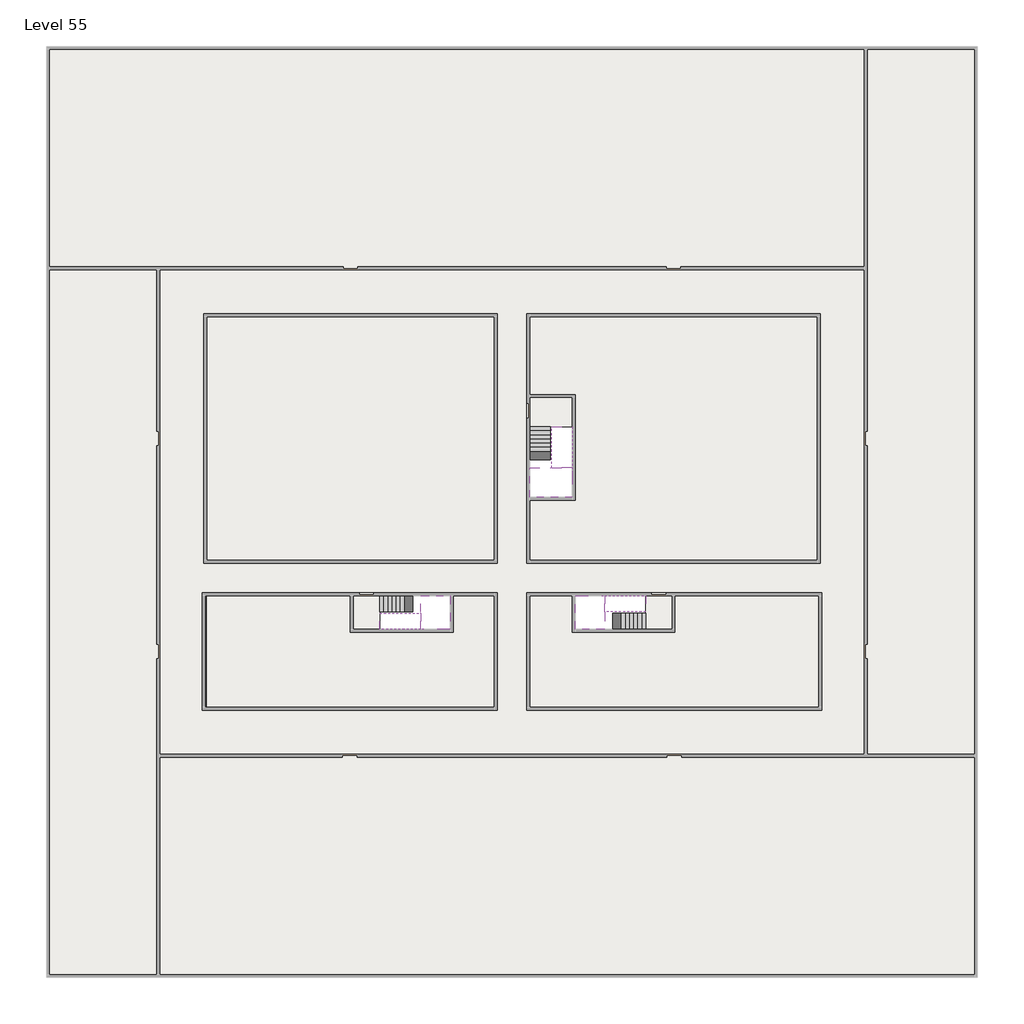
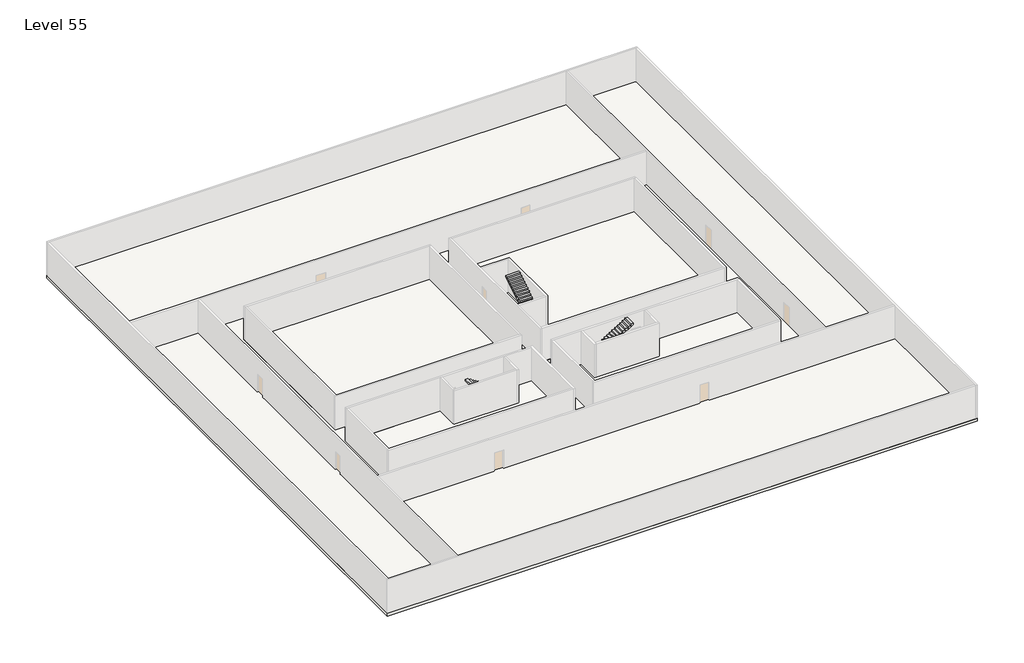
# One storey, part 2 of 2: 6 slabs, 6 stair flights.
"""IFC4 building model written with IfcOpenShell, lengths in millimetres."""

from ifc_helpers import new_model, si_unit, frame, origin, place, context, project, spatial, polyline, outline, extrude, faceted_brep, element, save

model = new_model("IFC4")

# Units and contexts
model_context = context("Model", 3, world=origin())
ifc_project = project(units=[si_unit("LENGTHUNIT", "METRE", prefix="MILLI")], contexts=[model_context])

# Site, building, storey
site = spatial("IfcSite", under=ifc_project)
building = spatial("IfcBuilding", under=site)
storey = spatial("IfcBuildingStorey", under=building, Name="Level 55", Elevation=205200.0)

# Slabs
placement = place(None, origin())
element("IfcSlab", 1, at=placement, inside=storey, context=model_context, shape_type="SweptSolid", body=[
    extrude(outline(polyline([(55890.1058784, -5518.09644), (55890.1058784, -68918.09644), (-7509.8941216, -68918.09644), (-7509.8941216, -5518.09644), (55890.1058784, -5518.09644)]), holes=[polyline([(23190.1058784, -23718.09644), (3190.1058784, -23718.09644), (3190.1058784, -40718.09644), (23190.1058784, -40718.09644), (23190.1058784, -23718.09644)]), polyline([(45190.1058784, -23718.09644), (25190.1058784, -23718.09644), (25190.1058784, -40718.09644), (45190.1058784, -40718.09644), (45190.1058784, -23718.09644)]), polyline([(23190.1058784, -50718.09644), (23190.1058784, -42718.09644), (3390.1058784, -42718.09644), (3390.1058784, -50718.09644), (23190.1058784, -50718.09644)]), polyline([(25190.1058784, -50718.09644), (45190.1058784, -50718.09644), (45190.1058784, -42718.09644), (25190.1058784, -42718.09644), (25190.1058784, -50718.09644)])]), frame((0.0, 0.0, 204900.0), z_axis=(0.0, 0.0, 1.0), x_axis=(1.0, 0.0, 0.0)), (0.0, 0.0, 1.0), 300.0),
])
element("IfcSlab", 2, at=placement, inside=storey, context=model_context, shape_type="Brep", body=[
    faceted_brep([(26790.1058784, -34218.09644, 207100.0), (25390.1058784, -34218.09644, 207100.0), (25390.1058784, -34297.4828763, 207100.0), (25390.1058784, -36218.09644, 207100.0), (28290.1058784, -36218.09644, 207100.0), (28290.1058784, -34418.7100038, 207100.0), (28290.1058784, -34218.09644, 207100.0), (26890.1058784, -34218.09644, 207100.0), (26790.1058784, -34218.09644, 206800.0), (26790.1058784, -34218.09644, 206751.0278478), (25390.1058784, -34218.09644, 206751.0278478), (25390.1058784, -34218.09644, 206927.2727273), (25390.1058784, -34297.4828763, 206800.0), (25390.1058784, -36218.09644, 206800.0), (28290.1058784, -36218.09644, 206800.0), (28290.1058784, -34418.7100038, 206800.0), (28290.1058784, -34218.09644, 206923.7551205), (26890.1058784, -34218.09644, 206923.7551205), (26890.1058784, -34218.09644, 206800.0), (26890.1058784, -34418.7100038, 206800.0), (26790.1058784, -34297.4828763, 206800.0)], [[[0, 1, 2, 3, 4, 5, 6, 7]], [[1, 0, 8, 9, 10, 11]], [[1, 11, 10, 12, 13, 3, 2]], [[4, 3, 13, 14]], [[4, 14, 15, 16, 6, 5]], [[7, 6, 16, 17]], [[0, 7, 17, 18, 8]], [[18, 19, 15, 14, 13, 12, 20, 8]], [[19, 18, 17]], [[20, 12, 10, 9]], [[8, 20, 9]], [[15, 19, 17, 16]]]),
])
element("IfcSlab", 3, at=placement, inside=storey, context=model_context, shape_type="SweptSolid", body=[
    extrude(outline(polyline([(22990.1058784, -23918.09644), (22990.1058784, -40518.09644), (3390.1058784, -40518.09644), (3390.1058784, -23918.09644), (22990.1058784, -23918.09644)])), frame((0.0, 0.0, 204900.0), z_axis=(0.0, 0.0, 1.0), x_axis=(1.0, 0.0, 0.0)), (0.0, 0.0, 1.0), 300.0),
    extrude(outline(polyline([(44990.1058784, -23918.09644), (44990.1058784, -40518.09644), (25390.1058784, -40518.09644), (25390.1058784, -36418.09644), (28490.1058784, -36418.09644), (28490.1058784, -29218.09644), (25390.1058784, -29218.09644), (25390.1058784, -23918.09644), (44990.1058784, -23918.09644)])), frame((0.0, 0.0, 204900.0), z_axis=(0.0, 0.0, 1.0), x_axis=(1.0, 0.0, 0.0)), (0.0, 0.0, 1.0), 300.0),
    extrude(outline(polyline([(22990.1058784, -42918.09644), (22990.1058784, -50518.09644), (3390.1058784, -50518.09644), (3390.1058784, -42918.09644), (13190.1058784, -42918.09644), (13190.1058784, -45418.09644), (20190.1058784, -45418.09644), (20190.1058784, -42918.09644), (22990.1058784, -42918.09644)])), frame((0.0, 0.0, 204900.0), z_axis=(0.0, 0.0, 1.0), x_axis=(1.0, 0.0, 0.0)), (0.0, 0.0, 1.0), 300.0),
    extrude(outline(polyline([(28290.1058784, -42918.09644), (28290.1058784, -45418.09644), (35290.1058784, -45418.09644), (35290.1058784, -42918.09644), (45090.1058784, -42918.09644), (45090.1058784, -50518.09644), (25390.1058784, -50518.09644), (25390.1058784, -42918.09644), (28290.1058784, -42918.09644)])), frame((0.0, 0.0, 204900.0), z_axis=(0.0, 0.0, 1.0), x_axis=(1.0, 0.0, 0.0)), (0.0, 0.0, 1.0), 300.0),
])
element("IfcSlab", 4, at=placement, inside=storey, context=model_context, shape_type="Brep", body=[
    faceted_brep([(30490.1058784, -45218.09644, 207100.0), (30490.1058784, -44118.09644, 207100.0), (30490.1058784, -44018.09644, 207100.0), (30490.1058784, -42918.09644, 207100.0), (30289.4923146, -42918.09644, 207100.0), (28490.1058784, -42918.09644, 207100.0), (28490.1058784, -45218.09644, 207100.0), (30410.7194421, -45218.09644, 207100.0), (30490.1058784, -45218.09644, 206927.2727273), (30490.1058784, -45218.09644, 206751.0278478), (30490.1058784, -44118.09644, 206751.0278478), (30490.1058784, -44118.09644, 206800.0), (30490.1058784, -44018.09644, 206800.0), (30490.1058784, -44018.09644, 206923.7551205), (30490.1058784, -42918.09644, 206923.7551205), (30289.4923146, -42918.09644, 206800.0), (28490.1058784, -42918.09644, 206800.0), (28490.1058784, -45218.09644, 206800.0), (30410.7194421, -45218.09644, 206800.0), (30289.4923146, -44018.09644, 206800.0), (30410.7194421, -44118.09644, 206800.0)], [[[0, 1, 2, 3, 4, 5, 6, 7]], [[1, 0, 8, 9, 10, 11]], [[2, 1, 11, 12, 13]], [[3, 2, 13, 14]], [[3, 14, 15, 16, 5, 4]], [[6, 5, 16, 17]], [[9, 8, 0, 7, 6, 17, 18]], [[19, 12, 11, 20, 18, 17, 16, 15]], [[12, 19, 13]], [[18, 20, 10, 9]], [[20, 11, 10]], [[19, 15, 14, 13]]]),
])
element("IfcSlab", 5, at=placement, inside=storey, context=model_context, shape_type="Brep", body=[
    faceted_brep([(17990.1058784, -42918.09644, 207100.0), (17990.1058784, -44018.09644, 207100.0), (17990.1058784, -44118.09644, 207100.0), (17990.1058784, -45218.09644, 207100.0), (18190.7194421, -45218.09644, 207100.0), (19990.1058784, -45218.09644, 207100.0), (19990.1058784, -42918.09644, 207100.0), (18069.4923146, -42918.09644, 207100.0), (17990.1058784, -42918.09644, 206927.2727273), (17990.1058784, -42918.09644, 206751.0278478), (17990.1058784, -44018.09644, 206751.0278478), (17990.1058784, -44018.09644, 206800.0), (17990.1058784, -44118.09644, 206800.0), (17990.1058784, -44118.09644, 206923.7551205), (17990.1058784, -45218.09644, 206923.7551205), (18190.7194421, -45218.09644, 206800.0), (19990.1058784, -45218.09644, 206800.0), (19990.1058784, -42918.09644, 206800.0), (18069.4923146, -42918.09644, 206800.0), (18190.7194421, -44118.09644, 206800.0), (18069.4923146, -44018.09644, 206800.0)], [[[0, 1, 2, 3, 4, 5, 6, 7]], [[1, 0, 8, 9, 10, 11]], [[2, 1, 11, 12, 13]], [[3, 2, 13, 14]], [[3, 14, 15, 16, 5, 4]], [[6, 5, 16, 17]], [[9, 8, 0, 7, 6, 17, 18]], [[19, 12, 11, 20, 18, 17, 16, 15]], [[12, 19, 13]], [[18, 20, 10, 9]], [[20, 11, 10]], [[19, 15, 14, 13]]]),
])
element("IfcSlab", 6, at=placement, inside=storey, context=model_context, shape_type="SweptSolid", body=[
    extrude(outline(polyline([(25190.1058784, -29418.09644), (28290.1058784, -29418.09644), (28290.1058784, -31418.09644), (25190.1058784, -31418.09644), (25190.1058784, -29418.09644)])), frame((0.0, 0.0, 204900.0), z_axis=(0.0, 0.0, 1.0), x_axis=(1.0, 0.0, 0.0)), (0.0, 0.0, 1.0), 300.0),
    extrude(outline(polyline([(15190.1058784, -45218.09644), (13390.1058784, -45218.09644), (13390.1058784, -42718.09644), (15190.1058784, -42718.09644), (15190.1058784, -45218.09644)])), frame((0.0, 0.0, 204900.0), z_axis=(0.0, 0.0, 1.0), x_axis=(1.0, 0.0, 0.0)), (0.0, 0.0, 1.0), 300.0),
    extrude(outline(polyline([(35090.1058784, -45218.09644), (33290.1058784, -45218.09644), (33290.1058784, -42718.09644), (35090.1058784, -42718.09644), (35090.1058784, -45218.09644)])), frame((0.0, 0.0, 204900.0), z_axis=(0.0, 0.0, 1.0), x_axis=(1.0, 0.0, 0.0)), (0.0, 0.0, 1.0), 300.0),
])

# Stair flights
element("IfcStairFlight", 7, at=placement, inside=storey, context=model_context, shape_type="Brep", body=[
    faceted_brep([(26790.1058784, -31698.09644, 205372.7272727), (26790.1058784, -31418.09644, 205372.7272727), (25390.1058784, -31418.09644, 205372.7272727), (25390.1058784, -31698.09644, 205372.7272727), (26790.1058784, -31698.09644, 205200.0), (26790.1058784, -31418.09644, 205200.0), (25390.1058784, -31418.09644, 205200.0), (25390.1058784, -31698.09644, 205200.0), (26790.1058784, -31978.09644, 205545.4545455), (26790.1058784, -31698.09644, 205545.4545455), (25390.1058784, -31698.09644, 205545.4545455), (25390.1058784, -31978.09644, 205545.4545455), (26790.1058784, -31978.09644, 205369.209666), (26790.1058784, -31703.7986657, 205200.0), (25390.1058784, -31703.7986657, 205200.0), (25390.1058784, -31978.09644, 205369.209666), (26790.1058784, -32258.09644, 205718.1818182), (26790.1058784, -31978.09644, 205718.1818182), (25390.1058784, -31978.09644, 205718.1818182), (25390.1058784, -32258.09644, 205718.1818182), (26790.1058784, -32258.09644, 205541.9369387), (25390.1058784, -32258.09644, 205541.9369387), (26790.1058784, -32538.09644, 205890.9090909), (26790.1058784, -32258.09644, 205890.9090909), (25390.1058784, -32258.09644, 205890.9090909), (25390.1058784, -32538.09644, 205890.9090909), (26790.1058784, -32538.09644, 205714.6642114), (25390.1058784, -32538.09644, 205714.6642114), (26790.1058784, -32818.09644, 206063.6363636), (26790.1058784, -32538.09644, 206063.6363636), (25390.1058784, -32538.09644, 206063.6363636), (25390.1058784, -32818.09644, 206063.6363636), (26790.1058784, -32818.09644, 205887.3914841), (25390.1058784, -32818.09644, 205887.3914841), (26790.1058784, -33098.09644, 206236.3636364), (26790.1058784, -32818.09644, 206236.3636364), (25390.1058784, -32818.09644, 206236.3636364), (25390.1058784, -33098.09644, 206236.3636364), (26790.1058784, -33098.09644, 206060.1187569), (25390.1058784, -33098.09644, 206060.1187569), (26790.1058784, -33378.09644, 206409.0909091), (26790.1058784, -33098.09644, 206409.0909091), (25390.1058784, -33098.09644, 206409.0909091), (25390.1058784, -33378.09644, 206409.0909091), (26790.1058784, -33378.09644, 206232.8460296), (25390.1058784, -33378.09644, 206232.8460296), (26790.1058784, -33658.09644, 206581.8181818), (26790.1058784, -33378.09644, 206581.8181818), (25390.1058784, -33378.09644, 206581.8181818), (25390.1058784, -33658.09644, 206581.8181818), (26790.1058784, -33658.09644, 206405.5733023), (25390.1058784, -33658.09644, 206405.5733023), (26790.1058784, -33938.09644, 206754.5454545), (26790.1058784, -33658.09644, 206754.5454545), (25390.1058784, -33658.09644, 206754.5454545), (25390.1058784, -33938.09644, 206754.5454545), (26790.1058784, -33938.09644, 206578.3005751), (25390.1058784, -33938.09644, 206578.3005751), (26790.1058784, -34218.09644, 206927.2727273), (26790.1058784, -33938.09644, 206927.2727273), (25390.1058784, -33938.09644, 206927.2727273), (25390.1058784, -34218.09644, 206927.2727273), (26790.1058784, -34218.09644, 206800.0), (26790.1058784, -34218.09644, 206751.0278478), (25390.1058784, -34218.09644, 206751.0278478)], [[[0, 1, 2, 3]], [[1, 0, 4, 5]], [[2, 1, 5, 6]], [[3, 2, 6, 7]], [[8, 9, 10, 11]], [[4, 0, 9, 8, 12, 13]], [[0, 3, 10, 9]], [[3, 7, 14, 15, 11, 10]], [[16, 17, 18, 19]], [[17, 16, 20, 12, 8]], [[8, 11, 18, 17]], [[19, 18, 11, 15, 21]], [[22, 23, 24, 25]], [[23, 22, 26, 20, 16]], [[16, 19, 24, 23]], [[25, 24, 19, 21, 27]], [[28, 29, 30, 31]], [[29, 28, 32, 26, 22]], [[22, 25, 30, 29]], [[31, 30, 25, 27, 33]], [[34, 35, 36, 37]], [[35, 34, 38, 32, 28]], [[28, 31, 36, 35]], [[37, 36, 31, 33, 39]], [[40, 41, 42, 43]], [[41, 40, 44, 38, 34]], [[34, 37, 42, 41]], [[43, 42, 37, 39, 45]], [[46, 47, 48, 49]], [[47, 46, 50, 44, 40]], [[40, 43, 48, 47]], [[49, 48, 43, 45, 51]], [[52, 53, 54, 55]], [[53, 52, 56, 50, 46]], [[46, 49, 54, 53]], [[55, 54, 49, 51, 57]], [[58, 59, 60, 61]], [[59, 58, 62, 63, 56, 52]], [[52, 55, 60, 59]], [[61, 60, 55, 57, 64]], [[58, 61, 64, 63, 62]], [[5, 4, 13, 14, 7, 6]], [[14, 13, 12, 20, 26, 32, 38, 44, 50, 56, 63, 64, 57, 51, 45, 39, 33, 27, 21, 15]]]),
])
element("IfcStairFlight", 8, at=placement, inside=storey, context=model_context, shape_type="Brep", body=[
    faceted_brep([(26890.1058784, -33938.09644, 207272.7272727), (26890.1058784, -34218.09644, 207272.7272727), (28290.1058784, -34218.09644, 207272.7272727), (28290.1058784, -33938.09644, 207272.7272727), (26890.1058784, -33938.09644, 207096.4823932), (26890.1058784, -34218.09644, 206923.7551205), (28290.1058784, -34218.09644, 206923.7551205), (28290.1058784, -34218.09644, 207100.0), (28290.1058784, -33938.09644, 207096.4823932), (26890.1058784, -33658.09644, 207445.4545455), (26890.1058784, -33938.09644, 207445.4545455), (28290.1058784, -33938.09644, 207445.4545455), (28290.1058784, -33658.09644, 207445.4545455), (26890.1058784, -33658.09644, 207269.209666), (28290.1058784, -33658.09644, 207269.209666), (26890.1058784, -33378.09644, 207618.1818182), (26890.1058784, -33658.09644, 207618.1818182), (28290.1058784, -33658.09644, 207618.1818182), (28290.1058784, -33378.09644, 207618.1818182), (26890.1058784, -33378.09644, 207441.9369387), (28290.1058784, -33378.09644, 207441.9369387), (26890.1058784, -33098.09644, 207790.9090909), (26890.1058784, -33378.09644, 207790.9090909), (28290.1058784, -33378.09644, 207790.9090909), (28290.1058784, -33098.09644, 207790.9090909), (26890.1058784, -33098.09644, 207614.6642114), (28290.1058784, -33098.09644, 207614.6642114), (26890.1058784, -32818.09644, 207963.6363636), (26890.1058784, -33098.09644, 207963.6363636), (28290.1058784, -33098.09644, 207963.6363636), (28290.1058784, -32818.09644, 207963.6363636), (26890.1058784, -32818.09644, 207787.3914841), (28290.1058784, -32818.09644, 207787.3914841), (26890.1058784, -32538.09644, 208136.3636364), (26890.1058784, -32818.09644, 208136.3636364), (28290.1058784, -32818.09644, 208136.3636364), (28290.1058784, -32538.09644, 208136.3636364), (26890.1058784, -32538.09644, 207960.1187569), (28290.1058784, -32538.09644, 207960.1187569), (26890.1058784, -32258.09644, 208309.0909091), (26890.1058784, -32538.09644, 208309.0909091), (28290.1058784, -32538.09644, 208309.0909091), (28290.1058784, -32258.09644, 208309.0909091), (26890.1058784, -32258.09644, 208132.8460296), (28290.1058784, -32258.09644, 208132.8460296), (26890.1058784, -31978.09644, 208481.8181818), (26890.1058784, -32258.09644, 208481.8181818), (28290.1058784, -32258.09644, 208481.8181818), (28290.1058784, -31978.09644, 208481.8181818), (26890.1058784, -31978.09644, 208305.5733023), (28290.1058784, -31978.09644, 208305.5733023), (26890.1058784, -31698.09644, 208654.5454545), (26890.1058784, -31978.09644, 208654.5454545), (28290.1058784, -31978.09644, 208654.5454545), (28290.1058784, -31698.09644, 208654.5454545), (26890.1058784, -31698.09644, 208478.3005751), (28290.1058784, -31698.09644, 208478.3005751), (26890.1058784, -31418.09644, 208827.2727273), (26890.1058784, -31698.09644, 208827.2727273), (28290.1058784, -31698.09644, 208827.2727273), (28290.1058784, -31418.09644, 208827.2727273), (26890.1058784, -31418.09644, 208651.0278478), (28290.1058784, -31418.09644, 208651.0278478)], [[[0, 1, 2, 3]], [[1, 0, 4, 5]], [[2, 1, 5, 6, 7]], [[3, 2, 7, 6, 8]], [[9, 10, 11, 12]], [[10, 9, 13, 4, 0]], [[11, 10, 0, 3]], [[12, 11, 3, 8, 14]], [[15, 16, 17, 18]], [[16, 15, 19, 13, 9]], [[17, 16, 9, 12]], [[18, 17, 12, 14, 20]], [[21, 22, 23, 24]], [[22, 21, 25, 19, 15]], [[23, 22, 15, 18]], [[24, 23, 18, 20, 26]], [[27, 28, 29, 30]], [[28, 27, 31, 25, 21]], [[29, 28, 21, 24]], [[30, 29, 24, 26, 32]], [[33, 34, 35, 36]], [[34, 33, 37, 31, 27]], [[35, 34, 27, 30]], [[36, 35, 30, 32, 38]], [[39, 40, 41, 42]], [[40, 39, 43, 37, 33]], [[41, 40, 33, 36]], [[42, 41, 36, 38, 44]], [[45, 46, 47, 48]], [[46, 45, 49, 43, 39]], [[47, 46, 39, 42]], [[48, 47, 42, 44, 50]], [[51, 52, 53, 54]], [[52, 51, 55, 49, 45]], [[53, 52, 45, 48]], [[54, 53, 48, 50, 56]], [[57, 58, 59, 60]], [[58, 57, 61, 55, 51]], [[59, 58, 51, 54]], [[60, 59, 54, 56, 62]], [[57, 60, 62, 61]], [[5, 4, 13, 19, 25, 31, 37, 43, 49, 55, 61, 62, 56, 50, 44, 38, 32, 26, 20, 14, 8, 6]]]),
])
element("IfcStairFlight", 9, at=placement, inside=storey, context=model_context, shape_type="Brep", body=[
    faceted_brep([(33010.1058784, -45218.09644, 205372.7272727), (33290.1058784, -45218.09644, 205372.7272727), (33290.1058784, -44118.09644, 205372.7272727), (33010.1058784, -44118.09644, 205372.7272727), (33010.1058784, -45218.09644, 205200.0), (33290.1058784, -45218.09644, 205200.0), (33290.1058784, -44118.09644, 205200.0), (33010.1058784, -44118.09644, 205200.0), (32730.1058784, -45218.09644, 205545.4545455), (33010.1058784, -45218.09644, 205545.4545455), (33010.1058784, -44118.09644, 205545.4545455), (32730.1058784, -44118.09644, 205545.4545455), (32730.1058784, -45218.09644, 205369.209666), (33004.4036527, -45218.09644, 205200.0), (33004.4036527, -44118.09644, 205200.0), (32730.1058784, -44118.09644, 205369.209666), (32450.1058784, -45218.09644, 205718.1818182), (32730.1058784, -45218.09644, 205718.1818182), (32730.1058784, -44118.09644, 205718.1818182), (32450.1058784, -44118.09644, 205718.1818182), (32450.1058784, -45218.09644, 205541.9369387), (32450.1058784, -44118.09644, 205541.9369387), (32170.1058784, -45218.09644, 205890.9090909), (32450.1058784, -45218.09644, 205890.9090909), (32450.1058784, -44118.09644, 205890.9090909), (32170.1058784, -44118.09644, 205890.9090909), (32170.1058784, -45218.09644, 205714.6642114), (32170.1058784, -44118.09644, 205714.6642114), (31890.1058784, -45218.09644, 206063.6363636), (32170.1058784, -45218.09644, 206063.6363636), (32170.1058784, -44118.09644, 206063.6363636), (31890.1058784, -44118.09644, 206063.6363636), (31890.1058784, -45218.09644, 205887.3914841), (31890.1058784, -44118.09644, 205887.3914841), (31610.1058784, -45218.09644, 206236.3636364), (31890.1058784, -45218.09644, 206236.3636364), (31890.1058784, -44118.09644, 206236.3636364), (31610.1058784, -44118.09644, 206236.3636364), (31610.1058784, -45218.09644, 206060.1187569), (31610.1058784, -44118.09644, 206060.1187569), (31330.1058784, -45218.09644, 206409.0909091), (31610.1058784, -45218.09644, 206409.0909091), (31610.1058784, -44118.09644, 206409.0909091), (31330.1058784, -44118.09644, 206409.0909091), (31330.1058784, -45218.09644, 206232.8460296), (31330.1058784, -44118.09644, 206232.8460296), (31050.1058784, -45218.09644, 206581.8181818), (31330.1058784, -45218.09644, 206581.8181818), (31330.1058784, -44118.09644, 206581.8181818), (31050.1058784, -44118.09644, 206581.8181818), (31050.1058784, -45218.09644, 206405.5733023), (31050.1058784, -44118.09644, 206405.5733023), (30770.1058784, -45218.09644, 206754.5454545), (31050.1058784, -45218.09644, 206754.5454545), (31050.1058784, -44118.09644, 206754.5454545), (30770.1058784, -44118.09644, 206754.5454545), (30770.1058784, -45218.09644, 206578.3005751), (30770.1058784, -44118.09644, 206578.3005751), (30490.1058784, -45218.09644, 206927.2727273), (30770.1058784, -45218.09644, 206927.2727273), (30770.1058784, -44118.09644, 206927.2727273), (30490.1058784, -44118.09644, 206927.2727273), (30490.1058784, -45218.09644, 206751.0278478), (30490.1058784, -44118.09644, 206751.0278478), (30490.1058784, -44118.09644, 206800.0)], [[[0, 1, 2, 3]], [[1, 0, 4, 5]], [[2, 1, 5, 6]], [[3, 2, 6, 7]], [[8, 9, 10, 11]], [[4, 0, 9, 8, 12, 13]], [[0, 3, 10, 9]], [[3, 7, 14, 15, 11, 10]], [[16, 17, 18, 19]], [[17, 16, 20, 12, 8]], [[8, 11, 18, 17]], [[19, 18, 11, 15, 21]], [[22, 23, 24, 25]], [[23, 22, 26, 20, 16]], [[16, 19, 24, 23]], [[25, 24, 19, 21, 27]], [[28, 29, 30, 31]], [[29, 28, 32, 26, 22]], [[22, 25, 30, 29]], [[31, 30, 25, 27, 33]], [[34, 35, 36, 37]], [[35, 34, 38, 32, 28]], [[28, 31, 36, 35]], [[37, 36, 31, 33, 39]], [[40, 41, 42, 43]], [[41, 40, 44, 38, 34]], [[34, 37, 42, 41]], [[43, 42, 37, 39, 45]], [[46, 47, 48, 49]], [[47, 46, 50, 44, 40]], [[40, 43, 48, 47]], [[49, 48, 43, 45, 51]], [[52, 53, 54, 55]], [[53, 52, 56, 50, 46]], [[46, 49, 54, 53]], [[55, 54, 49, 51, 57]], [[58, 59, 60, 61]], [[59, 58, 62, 56, 52]], [[52, 55, 60, 59]], [[61, 60, 55, 57, 63, 64]], [[58, 61, 64, 63, 62]], [[5, 4, 13, 14, 7, 6]], [[14, 13, 12, 20, 26, 32, 38, 44, 50, 56, 62, 63, 57, 51, 45, 39, 33, 27, 21, 15]]]),
])
element("IfcStairFlight", 10, at=placement, inside=storey, context=model_context, shape_type="Brep", body=[
    faceted_brep([(30770.1058784, -42918.09644, 207272.7272727), (30490.1058784, -42918.09644, 207272.7272727), (30490.1058784, -44018.09644, 207272.7272727), (30770.1058784, -44018.09644, 207272.7272727), (30770.1058784, -42918.09644, 207096.4823932), (30490.1058784, -42918.09644, 206923.7551205), (30490.1058784, -42918.09644, 207100.0), (30490.1058784, -44018.09644, 206923.7551205), (30770.1058784, -44018.09644, 207096.4823932), (31050.1058784, -42918.09644, 207445.4545455), (30770.1058784, -42918.09644, 207445.4545455), (30770.1058784, -44018.09644, 207445.4545455), (31050.1058784, -44018.09644, 207445.4545455), (31050.1058784, -42918.09644, 207269.209666), (31050.1058784, -44018.09644, 207269.209666), (31330.1058784, -42918.09644, 207618.1818182), (31050.1058784, -42918.09644, 207618.1818182), (31050.1058784, -44018.09644, 207618.1818182), (31330.1058784, -44018.09644, 207618.1818182), (31330.1058784, -42918.09644, 207441.9369387), (31330.1058784, -44018.09644, 207441.9369387), (31610.1058784, -42918.09644, 207790.9090909), (31330.1058784, -42918.09644, 207790.9090909), (31330.1058784, -44018.09644, 207790.9090909), (31610.1058784, -44018.09644, 207790.9090909), (31610.1058784, -42918.09644, 207614.6642114), (31610.1058784, -44018.09644, 207614.6642114), (31890.1058784, -42918.09644, 207963.6363636), (31610.1058784, -42918.09644, 207963.6363636), (31610.1058784, -44018.09644, 207963.6363636), (31890.1058784, -44018.09644, 207963.6363636), (31890.1058784, -42918.09644, 207787.3914841), (31890.1058784, -44018.09644, 207787.3914841), (32170.1058784, -42918.09644, 208136.3636364), (31890.1058784, -42918.09644, 208136.3636364), (31890.1058784, -44018.09644, 208136.3636364), (32170.1058784, -44018.09644, 208136.3636364), (32170.1058784, -42918.09644, 207960.1187569), (32170.1058784, -44018.09644, 207960.1187569), (32450.1058784, -42918.09644, 208309.0909091), (32170.1058784, -42918.09644, 208309.0909091), (32170.1058784, -44018.09644, 208309.0909091), (32450.1058784, -44018.09644, 208309.0909091), (32450.1058784, -42918.09644, 208132.8460296), (32450.1058784, -44018.09644, 208132.8460296), (32730.1058784, -42918.09644, 208481.8181818), (32450.1058784, -42918.09644, 208481.8181818), (32450.1058784, -44018.09644, 208481.8181818), (32730.1058784, -44018.09644, 208481.8181818), (32730.1058784, -42918.09644, 208305.5733023), (32730.1058784, -44018.09644, 208305.5733023), (33010.1058784, -42918.09644, 208654.5454545), (32730.1058784, -42918.09644, 208654.5454545), (32730.1058784, -44018.09644, 208654.5454545), (33010.1058784, -44018.09644, 208654.5454545), (33010.1058784, -42918.09644, 208478.3005751), (33010.1058784, -44018.09644, 208478.3005751), (33290.1058784, -42918.09644, 208827.2727273), (33010.1058784, -42918.09644, 208827.2727273), (33010.1058784, -44018.09644, 208827.2727273), (33290.1058784, -44018.09644, 208827.2727273), (33290.1058784, -42918.09644, 208651.0278478), (33290.1058784, -44018.09644, 208651.0278478)], [[[0, 1, 2, 3]], [[1, 0, 4, 5, 6]], [[2, 1, 6, 5, 7]], [[3, 2, 7, 8]], [[9, 10, 11, 12]], [[10, 9, 13, 4, 0]], [[11, 10, 0, 3]], [[12, 11, 3, 8, 14]], [[15, 16, 17, 18]], [[16, 15, 19, 13, 9]], [[17, 16, 9, 12]], [[18, 17, 12, 14, 20]], [[21, 22, 23, 24]], [[22, 21, 25, 19, 15]], [[23, 22, 15, 18]], [[24, 23, 18, 20, 26]], [[27, 28, 29, 30]], [[28, 27, 31, 25, 21]], [[29, 28, 21, 24]], [[30, 29, 24, 26, 32]], [[33, 34, 35, 36]], [[34, 33, 37, 31, 27]], [[35, 34, 27, 30]], [[36, 35, 30, 32, 38]], [[39, 40, 41, 42]], [[40, 39, 43, 37, 33]], [[41, 40, 33, 36]], [[42, 41, 36, 38, 44]], [[45, 46, 47, 48]], [[46, 45, 49, 43, 39]], [[47, 46, 39, 42]], [[48, 47, 42, 44, 50]], [[51, 52, 53, 54]], [[52, 51, 55, 49, 45]], [[53, 52, 45, 48]], [[54, 53, 48, 50, 56]], [[57, 58, 59, 60]], [[58, 57, 61, 55, 51]], [[59, 58, 51, 54]], [[60, 59, 54, 56, 62]], [[57, 60, 62, 61]], [[5, 4, 13, 19, 25, 31, 37, 43, 49, 55, 61, 62, 56, 50, 44, 38, 32, 26, 20, 14, 8, 7]]]),
])
element("IfcStairFlight", 11, at=placement, inside=storey, context=model_context, shape_type="Brep", body=[
    faceted_brep([(15470.1058784, -42918.09644, 205372.7272727), (15190.1058784, -42918.09644, 205372.7272727), (15190.1058784, -44018.09644, 205372.7272727), (15470.1058784, -44018.09644, 205372.7272727), (15470.1058784, -42918.09644, 205200.0), (15190.1058784, -42918.09644, 205200.0), (15190.1058784, -44018.09644, 205200.0), (15470.1058784, -44018.09644, 205200.0), (15750.1058784, -42918.09644, 205545.4545455), (15470.1058784, -42918.09644, 205545.4545455), (15470.1058784, -44018.09644, 205545.4545455), (15750.1058784, -44018.09644, 205545.4545455), (15750.1058784, -42918.09644, 205369.209666), (15475.8081041, -42918.09644, 205200.0), (15475.8081041, -44018.09644, 205200.0), (15750.1058784, -44018.09644, 205369.209666), (16030.1058784, -42918.09644, 205718.1818182), (15750.1058784, -42918.09644, 205718.1818182), (15750.1058784, -44018.09644, 205718.1818182), (16030.1058784, -44018.09644, 205718.1818182), (16030.1058784, -42918.09644, 205541.9369387), (16030.1058784, -44018.09644, 205541.9369387), (16310.1058784, -42918.09644, 205890.9090909), (16030.1058784, -42918.09644, 205890.9090909), (16030.1058784, -44018.09644, 205890.9090909), (16310.1058784, -44018.09644, 205890.9090909), (16310.1058784, -42918.09644, 205714.6642114), (16310.1058784, -44018.09644, 205714.6642114), (16590.1058784, -42918.09644, 206063.6363636), (16310.1058784, -42918.09644, 206063.6363636), (16310.1058784, -44018.09644, 206063.6363636), (16590.1058784, -44018.09644, 206063.6363636), (16590.1058784, -42918.09644, 205887.3914841), (16590.1058784, -44018.09644, 205887.3914841), (16870.1058784, -42918.09644, 206236.3636364), (16590.1058784, -42918.09644, 206236.3636364), (16590.1058784, -44018.09644, 206236.3636364), (16870.1058784, -44018.09644, 206236.3636364), (16870.1058784, -42918.09644, 206060.1187569), (16870.1058784, -44018.09644, 206060.1187569), (17150.1058784, -42918.09644, 206409.0909091), (16870.1058784, -42918.09644, 206409.0909091), (16870.1058784, -44018.09644, 206409.0909091), (17150.1058784, -44018.09644, 206409.0909091), (17150.1058784, -42918.09644, 206232.8460296), (17150.1058784, -44018.09644, 206232.8460296), (17430.1058784, -42918.09644, 206581.8181818), (17150.1058784, -42918.09644, 206581.8181818), (17150.1058784, -44018.09644, 206581.8181818), (17430.1058784, -44018.09644, 206581.8181818), (17430.1058784, -42918.09644, 206405.5733023), (17430.1058784, -44018.09644, 206405.5733023), (17710.1058784, -42918.09644, 206754.5454545), (17430.1058784, -42918.09644, 206754.5454545), (17430.1058784, -44018.09644, 206754.5454545), (17710.1058784, -44018.09644, 206754.5454545), (17710.1058784, -42918.09644, 206578.3005751), (17710.1058784, -44018.09644, 206578.3005751), (17990.1058784, -42918.09644, 206927.2727273), (17710.1058784, -42918.09644, 206927.2727273), (17710.1058784, -44018.09644, 206927.2727273), (17990.1058784, -44018.09644, 206927.2727273), (17990.1058784, -42918.09644, 206751.0278478), (17990.1058784, -44018.09644, 206751.0278478), (17990.1058784, -44018.09644, 206800.0)], [[[0, 1, 2, 3]], [[1, 0, 4, 5]], [[2, 1, 5, 6]], [[3, 2, 6, 7]], [[8, 9, 10, 11]], [[4, 0, 9, 8, 12, 13]], [[0, 3, 10, 9]], [[3, 7, 14, 15, 11, 10]], [[16, 17, 18, 19]], [[17, 16, 20, 12, 8]], [[8, 11, 18, 17]], [[19, 18, 11, 15, 21]], [[22, 23, 24, 25]], [[23, 22, 26, 20, 16]], [[16, 19, 24, 23]], [[25, 24, 19, 21, 27]], [[28, 29, 30, 31]], [[29, 28, 32, 26, 22]], [[22, 25, 30, 29]], [[31, 30, 25, 27, 33]], [[34, 35, 36, 37]], [[35, 34, 38, 32, 28]], [[28, 31, 36, 35]], [[37, 36, 31, 33, 39]], [[40, 41, 42, 43]], [[41, 40, 44, 38, 34]], [[34, 37, 42, 41]], [[43, 42, 37, 39, 45]], [[46, 47, 48, 49]], [[47, 46, 50, 44, 40]], [[40, 43, 48, 47]], [[49, 48, 43, 45, 51]], [[52, 53, 54, 55]], [[53, 52, 56, 50, 46]], [[46, 49, 54, 53]], [[55, 54, 49, 51, 57]], [[58, 59, 60, 61]], [[59, 58, 62, 56, 52]], [[52, 55, 60, 59]], [[61, 60, 55, 57, 63, 64]], [[58, 61, 64, 63, 62]], [[5, 4, 13, 14, 7, 6]], [[14, 13, 12, 20, 26, 32, 38, 44, 50, 56, 62, 63, 57, 51, 45, 39, 33, 27, 21, 15]]]),
])
element("IfcStairFlight", 12, at=placement, inside=storey, context=model_context, shape_type="Brep", body=[
    faceted_brep([(17710.1058784, -45218.09644, 207272.7272727), (17990.1058784, -45218.09644, 207272.7272727), (17990.1058784, -44118.09644, 207272.7272727), (17710.1058784, -44118.09644, 207272.7272727), (17710.1058784, -45218.09644, 207096.4823932), (17990.1058784, -45218.09644, 206923.7551205), (17990.1058784, -45218.09644, 207100.0), (17990.1058784, -44118.09644, 206923.7551205), (17710.1058784, -44118.09644, 207096.4823932), (17430.1058784, -45218.09644, 207445.4545455), (17710.1058784, -45218.09644, 207445.4545455), (17710.1058784, -44118.09644, 207445.4545455), (17430.1058784, -44118.09644, 207445.4545455), (17430.1058784, -45218.09644, 207269.209666), (17430.1058784, -44118.09644, 207269.209666), (17150.1058784, -45218.09644, 207618.1818182), (17430.1058784, -45218.09644, 207618.1818182), (17430.1058784, -44118.09644, 207618.1818182), (17150.1058784, -44118.09644, 207618.1818182), (17150.1058784, -45218.09644, 207441.9369387), (17150.1058784, -44118.09644, 207441.9369387), (16870.1058784, -45218.09644, 207790.9090909), (17150.1058784, -45218.09644, 207790.9090909), (17150.1058784, -44118.09644, 207790.9090909), (16870.1058784, -44118.09644, 207790.9090909), (16870.1058784, -45218.09644, 207614.6642114), (16870.1058784, -44118.09644, 207614.6642114), (16590.1058784, -45218.09644, 207963.6363636), (16870.1058784, -45218.09644, 207963.6363636), (16870.1058784, -44118.09644, 207963.6363636), (16590.1058784, -44118.09644, 207963.6363636), (16590.1058784, -45218.09644, 207787.3914841), (16590.1058784, -44118.09644, 207787.3914841), (16310.1058784, -45218.09644, 208136.3636364), (16590.1058784, -45218.09644, 208136.3636364), (16590.1058784, -44118.09644, 208136.3636364), (16310.1058784, -44118.09644, 208136.3636364), (16310.1058784, -45218.09644, 207960.1187569), (16310.1058784, -44118.09644, 207960.1187569), (16030.1058784, -45218.09644, 208309.0909091), (16310.1058784, -45218.09644, 208309.0909091), (16310.1058784, -44118.09644, 208309.0909091), (16030.1058784, -44118.09644, 208309.0909091), (16030.1058784, -45218.09644, 208132.8460296), (16030.1058784, -44118.09644, 208132.8460296), (15750.1058784, -45218.09644, 208481.8181818), (16030.1058784, -45218.09644, 208481.8181818), (16030.1058784, -44118.09644, 208481.8181818), (15750.1058784, -44118.09644, 208481.8181818), (15750.1058784, -45218.09644, 208305.5733023), (15750.1058784, -44118.09644, 208305.5733023), (15470.1058784, -45218.09644, 208654.5454545), (15750.1058784, -45218.09644, 208654.5454545), (15750.1058784, -44118.09644, 208654.5454545), (15470.1058784, -44118.09644, 208654.5454545), (15470.1058784, -45218.09644, 208478.3005751), (15470.1058784, -44118.09644, 208478.3005751), (15190.1058784, -45218.09644, 208827.2727273), (15470.1058784, -45218.09644, 208827.2727273), (15470.1058784, -44118.09644, 208827.2727273), (15190.1058784, -44118.09644, 208827.2727273), (15190.1058784, -45218.09644, 208651.0278478), (15190.1058784, -44118.09644, 208651.0278478)], [[[0, 1, 2, 3]], [[1, 0, 4, 5, 6]], [[2, 1, 6, 5, 7]], [[3, 2, 7, 8]], [[9, 10, 11, 12]], [[10, 9, 13, 4, 0]], [[11, 10, 0, 3]], [[12, 11, 3, 8, 14]], [[15, 16, 17, 18]], [[16, 15, 19, 13, 9]], [[17, 16, 9, 12]], [[18, 17, 12, 14, 20]], [[21, 22, 23, 24]], [[22, 21, 25, 19, 15]], [[23, 22, 15, 18]], [[24, 23, 18, 20, 26]], [[27, 28, 29, 30]], [[28, 27, 31, 25, 21]], [[29, 28, 21, 24]], [[30, 29, 24, 26, 32]], [[33, 34, 35, 36]], [[34, 33, 37, 31, 27]], [[35, 34, 27, 30]], [[36, 35, 30, 32, 38]], [[39, 40, 41, 42]], [[40, 39, 43, 37, 33]], [[41, 40, 33, 36]], [[42, 41, 36, 38, 44]], [[45, 46, 47, 48]], [[46, 45, 49, 43, 39]], [[47, 46, 39, 42]], [[48, 47, 42, 44, 50]], [[51, 52, 53, 54]], [[52, 51, 55, 49, 45]], [[53, 52, 45, 48]], [[54, 53, 48, 50, 56]], [[57, 58, 59, 60]], [[58, 57, 61, 55, 51]], [[59, 58, 51, 54]], [[60, 59, 54, 56, 62]], [[57, 60, 62, 61]], [[5, 4, 13, 19, 25, 31, 37, 43, 49, 55, 61, 62, 56, 50, 44, 38, 32, 26, 20, 14, 8, 7]]]),
])

save(model, "model.ifc")
